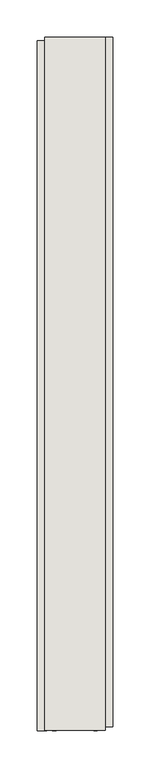
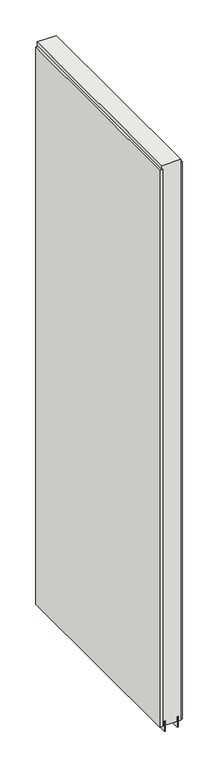
"""IFC4 building model written with IfcOpenShell, lengths in millimetres: wall geometry."""

from ifc_helpers import new_model, si_unit, frame, origin, place, context, project, spatial, polyline, outline, extrude, source, transform, mapped, element, save


def wall_5fc246da(model_context):
    return source(origin(), model_context, "Body", "SweptSolid", [
        extrude(outline(polyline([(64721.142211, -40546.7951572), (64721.142211, -40544.2551572), (64723.682211, -40544.2551572), (64723.682211, -40546.7951572), (64721.142211, -40546.7951572)])), frame((0.0, 0.0, 4419.6), z_axis=(0.0, 0.0, 1.0), x_axis=(1.0, 0.0, 0.0)), (0.0, 0.0, 1.0), 2.54),
        extrude(outline(polyline([(64773.212211, -40543.7926486), (64773.212211, -41472.199631), (64760.512211, -41472.199631), (64760.512211, -40543.7926486), (64773.212211, -40543.7926486)])), frame((0.0, 0.0, 4445.0), z_axis=(0.0, 0.0, 1.0), x_axis=(1.0, 0.0, 0.0)), (0.0, 0.0, 1.0), 2545.0498756),
        extrude(outline(polyline([(64671.612211, -41477.1295678), (64671.612211, -40548.7225854), (64684.312211, -40548.7225854), (64684.312211, -41477.1295678), (64671.612211, -41477.1295678)])), frame((0.0, 0.0, 4445.0), z_axis=(0.0, 0.0, 1.0), x_axis=(1.0, 0.0, 0.0)), (0.0, 0.0, 1.0), 2545.0498756),
        extrude(outline(polyline([(64747.4959556, -41476.6745014), (64747.4959556, -40544.2663078), (64752.574711, -40544.2663078), (64752.574711, -41476.6745014), (64747.4959556, -41476.6745014)])), frame((0.0, 0.0, 4418.6602), z_axis=(0.0, 0.0, 1.0), x_axis=(1.0, 0.0, 0.0)), (0.0, 0.0, 1.0), 47.625),
        extrude(outline(polyline([(64747.4959556, -41476.6745014), (64747.4959556, -40544.2663078), (64752.574711, -40544.2663078), (64752.574711, -41476.6745014), (64747.4959556, -41476.6745014)])), frame((0.0, 0.0, 4418.6602), z_axis=(0.0, 0.0, 1.0), x_axis=(1.0, 0.0, 0.0)), (0.0, 0.0, 1.0), 47.625),
        extrude(outline(polyline([(64697.3284664, -40544.2663078), (64697.3284664, -41476.6745014), (64692.249711, -41476.6745014), (64692.249711, -40544.2663078), (64697.3284664, -40544.2663078)])), frame((0.0, 0.0, 4418.6602), z_axis=(0.0, 0.0, 1.0), x_axis=(1.0, 0.0, 0.0)), (0.0, 0.0, 1.0), 47.625),
        extrude(outline(polyline([(64697.3284664, -40544.2663078), (64697.3284664, -41476.6745014), (64692.249711, -41476.6745014), (64692.249711, -40544.2663078), (64697.3284664, -40544.2663078)])), frame((0.0, 0.0, 4418.6602), z_axis=(0.0, 0.0, 1.0), x_axis=(1.0, 0.0, 0.0)), (0.0, 0.0, 1.0), 47.625),
        extrude(outline(polyline([(64763.0670954, -41476.6745014), (64681.7573266, -41476.6745014), (64681.7573266, -40544.2663078), (64763.0670954, -40544.2663078), (64763.0670954, -41476.6745014)])), frame((0.0, 0.0, 4445.0), z_axis=(0.0, 0.0, 1.0), x_axis=(1.0, 0.0, 0.0)), (0.0, 0.0, 1.0), 2562.4536762),
    ])


if __name__ == "__main__":
    model = new_model("IFC4")
    model_context = context("Model", 3, world=origin())
    ifc_project = project(units=[si_unit("LENGTHUNIT", "METRE", prefix="MILLI")], contexts=[model_context])
    site = spatial("IfcSite", under=ifc_project)
    building = spatial("IfcBuilding", under=site)
    placement = place(None, origin())
    wall_shape = wall_5fc246da(model_context)
    element("IfcWall", 1, at=placement, inside=building, context=model_context, shape_type="MappedRepresentation", body=[
        mapped(wall_shape, transform((0.0, 0.0, 0.0), x_axis=(1.0, 0.0, 0.0), y_axis=(0.0, 1.0, 0.0), z_axis=(0.0, 0.0, 1.0))),
    ])
    save(model, "model.ifc")
